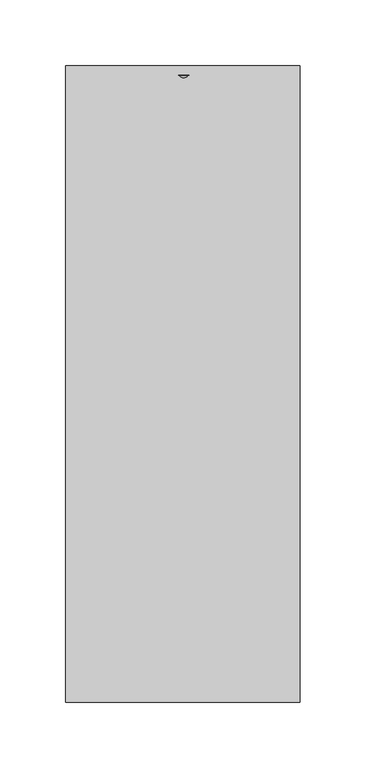
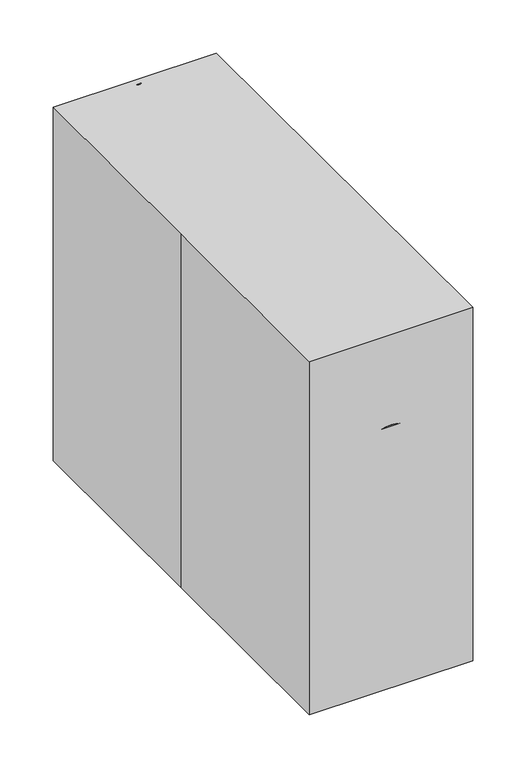
"""IFC4 building model written with IfcOpenShell, lengths in millimetres: proxy geometry."""

import ifcopenshell
import ifcopenshell.guid

model = None  # the IFC model being written
_history = None  # IfcOwnerHistory: only IFC2X3 demands one
_inside = {}  # id of a spatial element -> (the spatial element, [elements in it])
_under = {}  # id of a project, library or spatial element -> (it, [spatial elements below it])
_declared = {}  # id of a project -> (the project, [libraries it declares])
_typed = {}  # id of a type object -> (the type object, [elements of that type])
_made_of = {}  # id of a material, layer set ... -> (it, [elements and type objects made of it])


def new_model(schema):
    """Start an empty IFC model of exactly this schema.

    Asked for "IFC4X3", IfcOpenShell would pick the latest addendum, in which some entities
    have other attributes; the version numbers below select the first issue.
    IFC2X3 requires an IfcOwnerHistory on every rooted entity: one is made here for all.
    """
    global model, _history
    if schema == "IFC4X3":
        model = ifcopenshell.file(schema_version=(4, 3, 0, 0))
    else:
        model = ifcopenshell.file(schema=schema)
    _inside.clear()
    _under.clear()
    _declared.clear()
    _typed.clear()
    _made_of.clear()
    _history = None
    if model.schema == "IFC2X3":
        org = make("IfcOrganization", Name="unknown")
        user = make(
            "IfcPersonAndOrganization",
            ThePerson=make("IfcPerson", FamilyName="unknown"),
            TheOrganization=org,
        )
        app = make(
            "IfcApplication",
            ApplicationDeveloper=org,
            Version="unknown",
            ApplicationFullName="unknown",
            ApplicationIdentifier="unknown",
        )
        _history = make(
            "IfcOwnerHistory",
            OwningUser=user,
            OwningApplication=app,
            ChangeAction="ADDED",
            CreationDate=0,
        )
    return model


def make(cls, **values):
    """One entity of the class cls with the attributes given. An attribute that is None is left unset."""
    return model.create_entity(
        cls, **{name: value for name, value in values.items() if value is not None}
    )


def rooted(cls, **values):
    """An entity with a GlobalId (a new one), such as an element, a storey or a relation."""
    return make(cls, GlobalId=ifcopenshell.guid.new(), OwnerHistory=_history, **values)


def si_unit(unit_type, name, prefix=None):
    """IfcSIUnit, for example si_unit("LENGTHUNIT", "METRE", prefix="MILLI")."""
    return make("IfcSIUnit", UnitType=unit_type, Prefix=prefix, Name=name)


def assignment(units):
    """IfcUnitAssignment: the units of a project."""
    return None if units is None else make("IfcUnitAssignment", Units=units)


def point(xyz):
    """IfcCartesianPoint."""
    return None if xyz is None else make("IfcCartesianPoint", Coordinates=xyz)


def direction(xyz):
    """IfcDirection."""
    return None if xyz is None else make("IfcDirection", DirectionRatios=xyz)


def frame(location, z_axis=None, x_axis=None):
    """IfcAxis2Placement3D, a coordinate frame: its origin and axes. An axis left out is left unset."""
    return make(
        "IfcAxis2Placement3D",
        Location=point(location),
        Axis=direction(z_axis),
        RefDirection=direction(x_axis),
    )


def frame_2d(location, x_axis=None):
    """IfcAxis2Placement2D, a coordinate frame in the plane: its origin and x axis."""
    return make(
        "IfcAxis2Placement2D", Location=point(location), RefDirection=direction(x_axis)
    )


def origin():
    """The frame at (0, 0, 0) with its axes left unset."""
    return frame((0.0, 0.0, 0.0))


def origin_with_axes():
    """The frame at (0, 0, 0) with the z axis (0, 0, 1) and the x axis (1, 0, 0) written out."""
    return frame((0.0, 0.0, 0.0), z_axis=(0.0, 0.0, 1.0), x_axis=(1.0, 0.0, 0.0))


def place(relative_to, where):
    """IfcLocalPlacement: puts the frame where relative to a parent placement (None: the world)."""
    return make(
        "IfcLocalPlacement", PlacementRelTo=relative_to, RelativePlacement=where
    )


def context(
    kind, dimensions, precision=None, world=None, true_north=None, identifier=None
):
    """IfcGeometricRepresentationContext, for example the 3D "Model" context."""
    return make(
        "IfcGeometricRepresentationContext",
        ContextIdentifier=identifier,
        ContextType=kind,
        CoordinateSpaceDimension=dimensions,
        Precision=precision,
        WorldCoordinateSystem=world,
        TrueNorth=true_north,
    )


def project(units=None, contexts=None):
    """IfcProject with its units and contexts."""
    return rooted(
        "IfcProject",
        Name="project",
        RepresentationContexts=contexts,
        UnitsInContext=assignment(units),
    )


def spatial(cls, under=None, at=None, **own):
    """A site, building, storey or space (cls), placed at a placement, below another one or the project."""
    s = rooted(cls, ObjectPlacement=at, **own)
    if under is not None:
        _under.setdefault(under.id(), (under, []))[1].append(s)
    return s


def polyline(points):
    """IfcPolyline through the points."""
    return make("IfcPolyline", Points=[point(p) for p in points])


def circle_curve(where, radius):
    """IfcCircle in the frame where."""
    return make("IfcCircle", Position=where, Radius=radius)


def trimmed(basis, trim1, trim2, sense, master):
    """IfcTrimmedCurve: the piece of a basis curve between two trims."""
    return make(
        "IfcTrimmedCurve",
        BasisCurve=basis,
        Trim1=trim1,
        Trim2=trim2,
        SenseAgreement=sense,
        MasterRepresentation=master,
    )


def segment(curve, same_sense, transition):
    """IfcCompositeCurveSegment."""
    return make(
        "IfcCompositeCurveSegment",
        Transition=transition,
        SameSense=same_sense,
        ParentCurve=curve,
    )


def composite_curve(segments, self_intersect=None):
    """IfcCompositeCurve: segments joined end to end."""
    return make("IfcCompositeCurve", Segments=segments, SelfIntersect=self_intersect)


def outline(outer, holes=None, kind="AREA"):
    """IfcArbitraryClosedProfileDef: a profile drawn as a closed curve; with holes, ...WithVoids."""
    if holes is None:
        return make("IfcArbitraryClosedProfileDef", ProfileType=kind, OuterCurve=outer)
    return make(
        "IfcArbitraryProfileDefWithVoids",
        ProfileType=kind,
        OuterCurve=outer,
        InnerCurves=holes,
    )


def extrude(swept, where, along, depth):
    """IfcExtrudedAreaSolid: the profile swept, set in the frame where, extruded along a direction by depth."""
    return make(
        "IfcExtrudedAreaSolid",
        SweptArea=swept,
        Position=where,
        ExtrudedDirection=direction(along),
        Depth=depth,
    )


def shape(context_of_items, identifier, shape_type, items):
    """IfcShapeRepresentation: the items that make up one representation, for example the "Body"."""
    return make(
        "IfcShapeRepresentation",
        ContextOfItems=context_of_items,
        RepresentationIdentifier=identifier,
        RepresentationType=shape_type,
        Items=items,
    )


def source(mapping_origin, context_of_items, identifier, shape_type, items):
    """IfcRepresentationMap: a shape defined once, which mapped items show again and again."""
    return make(
        "IfcRepresentationMap",
        MappingOrigin=mapping_origin,
        MappedRepresentation=shape(context_of_items, identifier, shape_type, items),
    )


def transform(
    local_origin,
    x_axis=None,
    y_axis=None,
    z_axis=None,
    scale=None,
    scale2=None,
    scale3=None,
    uniform=True,
):
    """IfcCartesianTransformationOperator3D, or its non-uniform kind. x_axis, y_axis, z_axis: its Axis1, 2, 3."""
    if uniform:
        return make(
            "IfcCartesianTransformationOperator3D",
            Axis1=direction(x_axis),
            Axis2=direction(y_axis),
            LocalOrigin=point(local_origin),
            Scale=scale,
            Axis3=direction(z_axis),
        )
    return make(
        "IfcCartesianTransformationOperator3DnonUniform",
        Axis1=direction(x_axis),
        Axis2=direction(y_axis),
        LocalOrigin=point(local_origin),
        Scale=scale,
        Axis3=direction(z_axis),
        Scale2=scale2,
        Scale3=scale3,
    )


def mapped(mapping_source, mapping_target):
    """IfcMappedItem: shows the shape of a source again, moved by a transform."""
    return make(
        "IfcMappedItem", MappingSource=mapping_source, MappingTarget=mapping_target
    )


def made_of(thing, what):
    """Note that an element or type object is made of a material, layer set ...; save() writes the relation."""
    if what is not None:
        _made_of.setdefault(what.id(), (what, []))[1].append(thing)
    return thing


def element(
    cls,
    number,
    at=None,
    inside=None,
    cuts=None,
    type_object=None,
    material=None,
    context=None,
    identifier="Body",
    shape_type=None,
    held_by="IfcProductDefinitionShape",
    body=None,
    shapes=None,
    **own,
):
    """One element of the class cls, such as IfcWall. Its Tag is "e" and its number.

    at: its placement. inside: the storey or other place that contains it. cuts: it is an
    opening in that element (IfcRelVoidsElement). A single representation is given by context,
    identifier, shape_type and body (its items); several are given by shapes. held_by: the class
    of the entity that holds the representations. save() writes the other relations.
    """
    e = rooted(cls, Tag="e%d" % number, ObjectPlacement=at, **own)
    if body is not None:
        shapes = [shape(context, identifier, shape_type, body)]
    if shapes is not None:
        e.Representation = make(held_by, Representations=shapes)
    if inside is not None:
        _inside.setdefault(inside.id(), (inside, []))[1].append(e)
    if cuts is not None:
        rooted(
            "IfcRelVoidsElement", RelatingBuildingElement=cuts, RelatedOpeningElement=e
        )
    if type_object is not None:
        _typed.setdefault(type_object.id(), (type_object, []))[1].append(e)
    return made_of(e, material)


def aggregate(whole, parts):
    """IfcRelAggregates: a whole, such as a stair, and the parts it consists of."""
    return rooted("IfcRelAggregates", RelatingObject=whole, RelatedObjects=parts)


def save(model, path):
    """Write the relations noted so far, then the file.

    IfcRelAggregates (storeys below a building ...), IfcRelContainedInSpatialStructure (elements
    in a storey), IfcRelDefinesByType, IfcRelAssociatesMaterial and IfcRelDeclares: one each for
    every whole, place, type object, material and project.
    """
    for whole, parts in _under.values():
        aggregate(whole, parts)
    for where, things in _inside.values():
        rooted(
            "IfcRelContainedInSpatialStructure",
            RelatedElements=things,
            RelatingStructure=where,
        )
    for kind, things in _typed.values():
        rooted("IfcRelDefinesByType", RelatedObjects=things, RelatingType=kind)
    for what, things in _made_of.values():
        rooted("IfcRelAssociatesMaterial", RelatedObjects=things, RelatingMaterial=what)
    for by, libraries in _declared.values():
        rooted("IfcRelDeclares", RelatingContext=by, RelatedDefinitions=libraries)
    model.write(path)


def specialty_equipment_ff9b2b64(model_context):
    return source(origin(), model_context, "Body", "SweptSolid", [
        extrude(outline(composite_curve([segment(trimmed(circle_curve(frame_2d((-27.4668071, 248.8434204)), 50.8), [point((23.3331929, 248.8434204))], [point((-78.2668071, 248.8434204))], False, "CARTESIAN"), True, "CONTINUOUS"), segment(trimmed(circle_curve(frame_2d((-27.4668071, 248.8434204)), 50.8), [point((-78.2668071, 248.8434204))], [point((23.3331929, 248.8434204))], False, "CARTESIAN"), True, "CONTINUOUS")], self_intersect=False)), frame((31.75, 0.0, 0.0), z_axis=(1.0, 0.0, 0.0), x_axis=(0.0, 1.0, 0.0)), (0.0, 0.0, 1.0), 13.3872315),
        extrude(outline(composite_curve([segment(trimmed(circle_curve(frame_2d((0.0, 12.7)), 12.7), [point((0.0, 25.4))], [point((0.0, 0.0))], False, "CARTESIAN"), True, "CONTINUOUS"), segment(trimmed(circle_curve(frame_2d((0.0, 12.7)), 12.7), [point((0.0, 0.0))], [point((0.0, 25.4))], False, "CARTESIAN"), True, "CONTINUOUS")], self_intersect=False)), frame((13.2747856, 46.8909132, 346.6137868), z_axis=(0.0, 0.9702957262759947, 0.24192189559967492), x_axis=(0.0, 0.24192189559967492, -0.9702957262759947)), (0.0, 0.0, 1.0), 196.1933103),
        extrude(outline(composite_curve([segment(polyline([(-66.675, 0.0), (-101.5999999, 0.0)]), True, "CONTINUOUS"), segment(trimmed(circle_curve(frame_2d((-101.5999999, 25.4)), 25.4), [point((-101.5999999, 0.0))], [point((-101.5999999, 50.8))], False, "CARTESIAN"), True, "CONTINUOUS"), segment(polyline([(-101.5999999, 50.8), (-66.675, 50.8), (-66.675, 0.0)]), True, "CONTINUOUS")], self_intersect=False)), frame((25.4, 149.9434048, 262.1921938), z_axis=(0.0, 0.9702957262759947, 0.2419218955996749), x_axis=(0.0, 0.2419218955996749, -0.9702957262759947)), (0.0, 0.0, 1.0), 55.4771038),
        extrude(outline(polyline([(89.0604133, 315.7285228), (187.6424591, 340.3077874), (190.7148672, 327.9850317), (100.9870439, 267.8934204), (89.0604133, 315.7285228)])), frame((-17.5867253, 0.0, 0.0), z_axis=(1.0, 0.0, 0.0), x_axis=(0.0, 1.0, 0.0)), (0.0, 0.0, 1.0), 34.4084483),
        extrude(outline(composite_curve([segment(polyline([(0.0, 0.0), (-101.6, 0.0)]), True, "CONTINUOUS"), segment(trimmed(circle_curve(frame_2d((-101.6, 31.75)), 31.75), [point((-101.6, 0.0))], [point((-101.6, 63.5))], False, "CARTESIAN"), True, "CONTINUOUS"), segment(polyline([(-101.6, 63.5), (0.0, 63.5), (0.0, 0.0)]), True, "CONTINUOUS")], self_intersect=False)), frame((31.75, -209.0397152, 172.6876494), z_axis=(0.0, 0.9702957262759947, 0.2419218955996749), x_axis=(0.0, 0.2419218955996749, -0.9702957262759947)), (0.0, 0.0, 1.0), 323.85),
        extrude(outline(polyline([(-179.8668071, 203.2), (-129.0668071, 203.2), (-129.0668071, 77.1337145), (42.3831929, 77.1337145), (119.5169074, 0.0), (-179.8668071, 0.0), (-179.8668071, 203.2)])), frame((-63.5, 0.0, 0.0), z_axis=(1.0, 0.0, 0.0), x_axis=(0.0, 1.0, 0.0)), (0.0, 0.0, 1.0), 127.0),
        extrude(outline(polyline([(-88.9, -241.3), (-88.9, 0.0), (-88.9, 241.3), (88.9, 241.3), (88.9, -241.3), (-88.9, -241.3)])), origin_with_axes(), (0.0, 0.0, 1.0), 406.4),
    ])


if __name__ == "__main__":
    model = new_model("IFC4")
    model_context = context("Model", 3, world=origin())
    ifc_project = project(units=[si_unit("LENGTHUNIT", "METRE", prefix="MILLI")], contexts=[model_context])
    site = spatial("IfcSite", under=ifc_project)
    building = spatial("IfcBuilding", under=site)
    placement = place(None, origin())
    specialty_equipment_shape = specialty_equipment_ff9b2b64(model_context)
    element("IfcBuildingElementProxy", 1, Name="Specialty Equipment", at=placement, inside=building, context=model_context, shape_type="MappedRepresentation", body=[
        mapped(specialty_equipment_shape, transform((0.0, 0.0, 0.0), x_axis=(1.0, 0.0, 0.0), y_axis=(0.0, 1.0, 0.0), z_axis=(0.0, 0.0, 1.0))),
    ])
    save(model, "model.ifc")
